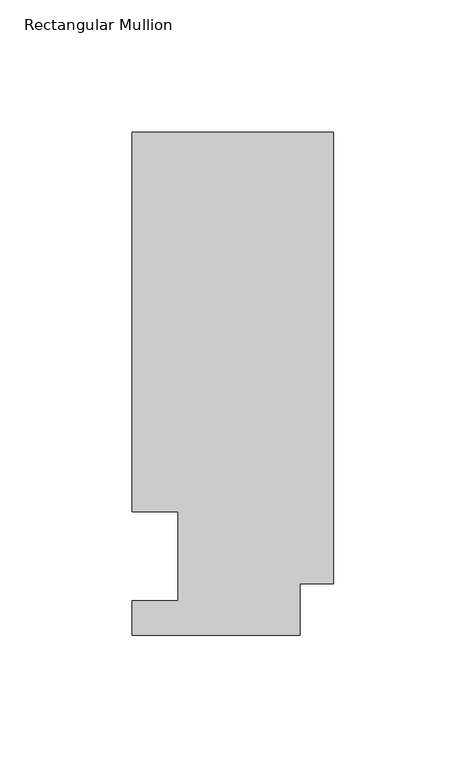
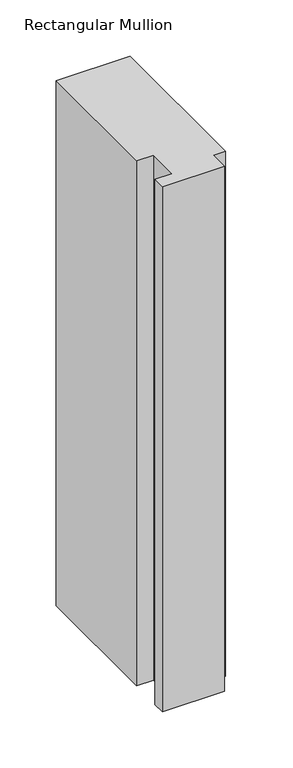
"""IFC4 building model written with IfcOpenShell, lengths in millimetres: member geometry, Rectangular Mullion."""

from ifc_helpers import new_model, si_unit, frame, origin, place, context, project, spatial, polyline, outline, extrude, source, transform, mapped, element, save


def rectangular_mullion_e9d0169e(model_context):
    return source(origin(), model_context, "Body", "SweptSolid", [
        extrude(outline(polyline([(0.0, 190.3784538), (0.0, 19.6726806), (-12.7, 19.6726806), (-12.7, 0.1400806), (-76.2, 0.1400806), (-76.2, 13.3226806), (-58.7676635, 13.3226806), (-58.7676635, 46.8430527), (-76.2000001, 46.8430527), (-76.2000001, 190.3784538), (0.0, 190.3784538)])), frame((0.0, 0.0, -571.3023047), z_axis=(0.0, 0.0, 1.0), x_axis=(1.0, 0.0, 0.0)), (0.0, 0.0, 1.0), 571.3023047),
    ])


if __name__ == "__main__":
    model = new_model("IFC4")
    model_context = context("Model", 3, world=origin())
    ifc_project = project(units=[si_unit("LENGTHUNIT", "METRE", prefix="MILLI")], contexts=[model_context])
    site = spatial("IfcSite", under=ifc_project)
    building = spatial("IfcBuilding", under=site)
    placement = place(None, origin())
    rectangular_mullion_shape = rectangular_mullion_e9d0169e(model_context)
    element("IfcMember", 1, ObjectType="Rectangular Mullion", at=placement, inside=building, context=model_context, shape_type="MappedRepresentation", body=[
        mapped(rectangular_mullion_shape, transform((0.0, 0.0, 0.0), x_axis=(1.0, 0.0, 0.0), y_axis=(0.0, 1.0, 0.0), z_axis=(0.0, 0.0, 1.0))),
    ])
    save(model, "model.ifc")
